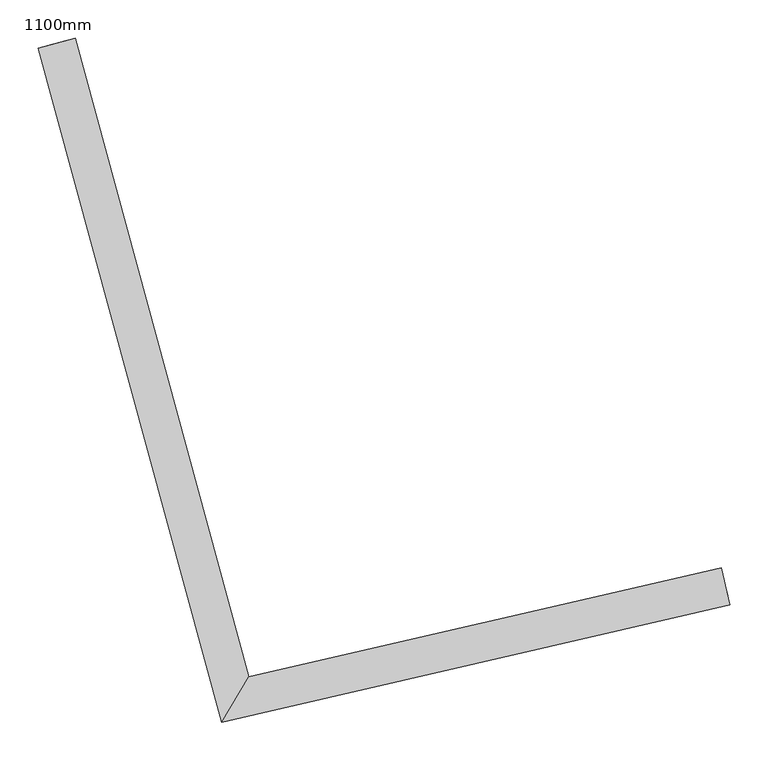
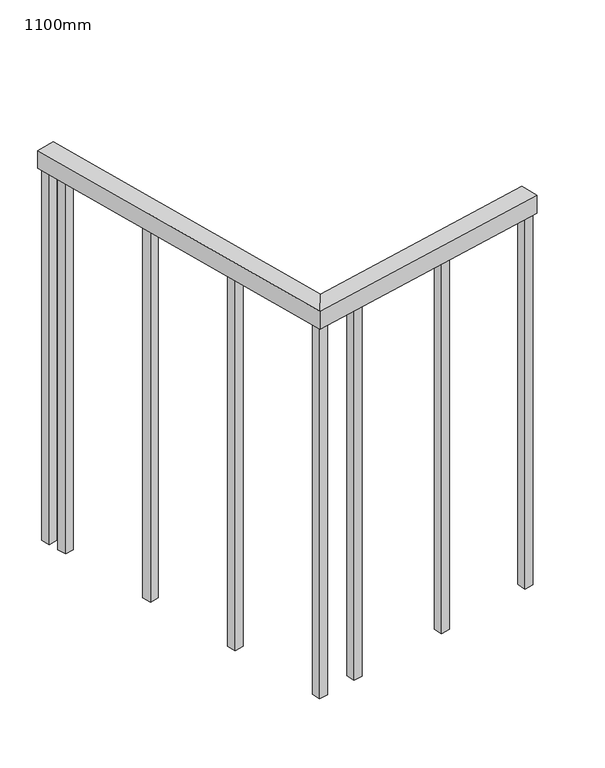
"""IFC4 building model written with IfcOpenShell, lengths in millimetres: railing geometry, 1100mm."""

from ifc_helpers import new_model, si_unit, frame, origin, place, context, project, spatial, polyline, outline, extrude, faceted_brep, source, transform, mapped, element, save


def railing_1100mm_43b4e467(model_context):
    return source(origin(), model_context, "Body", "SolidModel", [
        faceted_brep([(74126.2285909, 48773.0920881, 1700.0), (74137.4761436, 48724.3735849, 1700.0), (74137.4761436, 48724.3735849, 1650.0), (74126.2285909, 48773.0920881, 1650.0), (73508.0818458, 48630.3816672, 1700.0), (73472.4513803, 48570.8405207, 1700.0), (73472.4513803, 48570.8405207, 1650.0), (73508.0818458, 48630.3816672, 1650.0), (73280.7851569, 49466.6311269, 1700.0), (73280.7851569, 49466.6311269, 1650.0), (73232.5356863, 49453.516685, 1650.0), (73232.5356863, 49453.516685, 1700.0)], [[[0, 1, 2, 3]], [[1, 0, 4, 5]], [[2, 1, 5, 6]], [[3, 2, 6, 7]], [[0, 3, 7, 4]], [[8, 9, 10, 11]], [[5, 4, 8, 11]], [[6, 5, 11, 10]], [[7, 6, 10, 9]], [[4, 7, 9, 8]]]),
        extrude(outline(polyline([(73289.2193006, 49387.943602), (73265.0945653, 49381.3863811), (73258.5373444, 49405.5111164), (73282.6620797, 49412.0683373), (73289.2193006, 49387.943602)])), frame((0.0, 0.0, 600.0), z_axis=(0.0, 0.0, 1.0), x_axis=(1.0, 0.0, 0.0)), (0.0, 0.0, 1.0), 1050.0),
        extrude(outline(polyline([(73361.3487308, 49122.5715136), (73337.2239955, 49116.0142927), (73330.6667746, 49140.139028), (73354.7915099, 49146.6962489), (73361.3487308, 49122.5715136)])), frame((0.0, 0.0, 600.0), z_axis=(0.0, 0.0, 1.0), x_axis=(1.0, 0.0, 0.0)), (0.0, 0.0, 1.0), 1050.0),
        extrude(outline(polyline([(73433.478161, 48857.1994252), (73409.3534257, 48850.6422043), (73402.7962047, 48874.7669396), (73426.9209401, 48881.3241605), (73433.478161, 48857.1994252)])), frame((0.0, 0.0, 600.0), z_axis=(0.0, 0.0, 1.0), x_axis=(1.0, 0.0, 0.0)), (0.0, 0.0, 1.0), 1050.0),
        extrude(outline(polyline([(73605.3165692, 48640.0012706), (73610.9403456, 48615.642019), (73586.581094, 48610.0182426), (73580.9573176, 48634.3774942), (73605.3165692, 48640.0012706)])), frame((0.0, 0.0, 600.0), z_axis=(0.0, 0.0, 1.0), x_axis=(1.0, 0.0, 0.0)), (0.0, 0.0, 1.0), 1050.0),
        extrude(outline(polyline([(73873.268337, 48701.8628105), (73878.8921134, 48677.5035589), (73854.5328618, 48671.8797826), (73848.9090854, 48696.2390342), (73873.268337, 48701.8628105)])), frame((0.0, 0.0, 600.0), z_axis=(0.0, 0.0, 1.0), x_axis=(1.0, 0.0, 0.0)), (0.0, 0.0, 1.0), 1050.0),
        extrude(outline(polyline([(73499.6343507, 48615.602608), (73505.258127, 48591.2433563), (73480.8988754, 48585.61958), (73475.2750991, 48609.9788316), (73499.6343507, 48615.602608)])), frame((0.0, 0.0, 600.0), z_axis=(0.0, 0.0, 1.0), x_axis=(1.0, 0.0, 0.0)), (0.0, 0.0, 1.0), 1050.0),
        extrude(outline(polyline([(73275.2800102, 49439.2277811), (73251.1552749, 49432.6705602), (73244.5980539, 49456.7952955), (73268.7227892, 49463.3525164), (73275.2800102, 49439.2277811)])), frame((0.0, 0.0, 600.0), z_axis=(0.0, 0.0, 1.0), x_axis=(1.0, 0.0, 0.0)), (0.0, 0.0, 1.0), 1050.0),
        extrude(outline(polyline([(74129.040479, 48760.9124623), (74134.6642554, 48736.5532107), (74110.3050038, 48730.9294343), (74104.6812274, 48755.2886859), (74129.040479, 48760.9124623)])), frame((0.0, 0.0, 600.0), z_axis=(0.0, 0.0, 1.0), x_axis=(1.0, 0.0, 0.0)), (0.0, 0.0, 1.0), 1050.0),
    ])


if __name__ == "__main__":
    model = new_model("IFC4")
    model_context = context("Model", 3, world=origin())
    ifc_project = project(units=[si_unit("LENGTHUNIT", "METRE", prefix="MILLI")], contexts=[model_context])
    site = spatial("IfcSite", under=ifc_project)
    building = spatial("IfcBuilding", under=site)
    placement = place(None, origin())
    railing_1100mm_shape = railing_1100mm_43b4e467(model_context)
    element("IfcRailing", 1, ObjectType="1100mm", at=placement, inside=building, context=model_context, shape_type="MappedRepresentation", body=[
        mapped(railing_1100mm_shape, transform((0.0, 0.0, 0.0), x_axis=(1.0, 0.0, 0.0), y_axis=(0.0, 1.0, 0.0), z_axis=(0.0, 0.0, 1.0))),
    ])
    save(model, "model.ifc")
